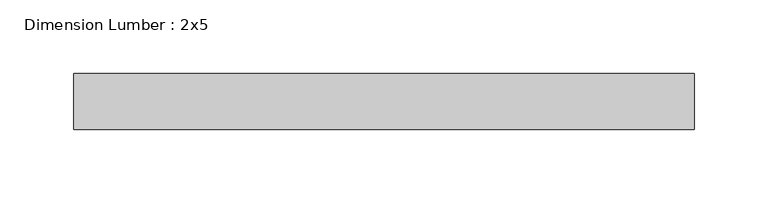
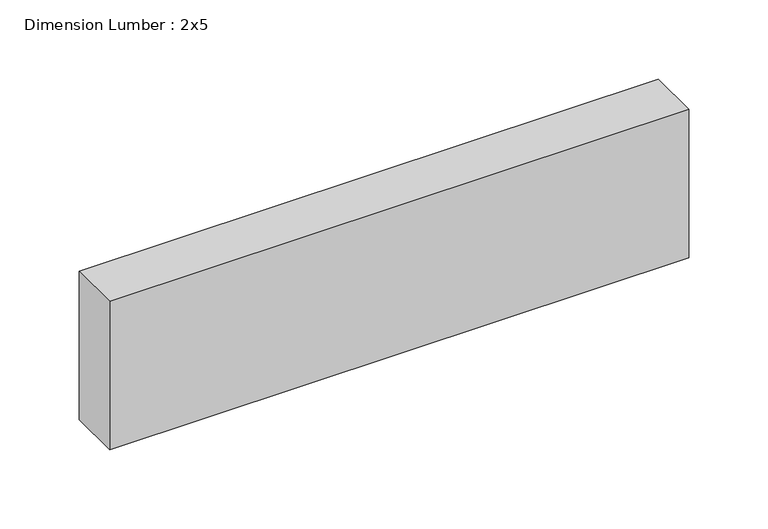
"""IFC4 building model written with IfcOpenShell, lengths in millimetres: beam geometry, Dimension Lumber : 2x5."""

from ifc_helpers import new_model, si_unit, frame, origin, place, context, project, spatial, polyline, outline, extrude, source, transform, mapped, element, save


def dimension_lumber_2x5_e9652c7b(model_context):
    return source(origin(), model_context, "Body", "SweptSolid", [
        extrude(outline(polyline([(208.8304037, 19.05), (208.8304037, -19.05), (-212.9175343, -19.05), (-212.9175343, 19.05), (208.8304037, 19.05)])), frame((0.0, 0.0, -57.15), z_axis=(0.0, 0.0, 1.0), x_axis=(1.0, 0.0, 0.0)), (0.0, 0.0, 1.0), 114.3),
    ])


if __name__ == "__main__":
    model = new_model("IFC4")
    model_context = context("Model", 3, world=origin())
    ifc_project = project(units=[si_unit("LENGTHUNIT", "METRE", prefix="MILLI")], contexts=[model_context])
    site = spatial("IfcSite", under=ifc_project)
    building = spatial("IfcBuilding", under=site)
    placement = place(None, origin())
    dimension_lumber_2x5_shape = dimension_lumber_2x5_e9652c7b(model_context)
    element("IfcBeam", 1, ObjectType="Dimension Lumber : 2x5", at=placement, inside=building, context=model_context, shape_type="MappedRepresentation", body=[
        mapped(dimension_lumber_2x5_shape, transform((0.0, 0.0, 0.0), x_axis=(1.0, 0.0, 0.0), y_axis=(0.0, 1.0, 0.0), z_axis=(0.0, 0.0, 1.0))),
    ])
    save(model, "model.ifc")
